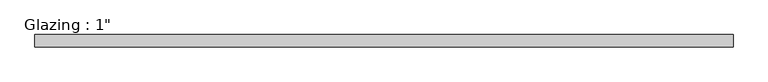
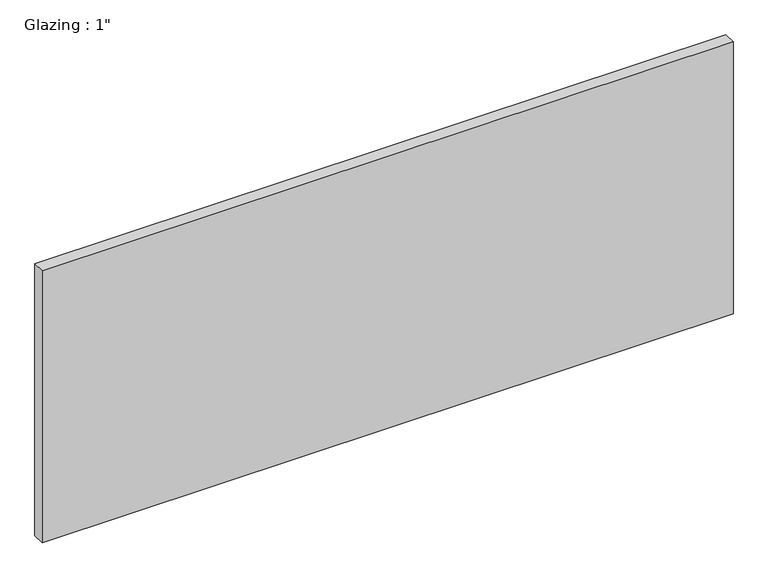
"""IFC4 building model written with IfcOpenShell, lengths in millimetres: plate geometry."""

from ifc_helpers import new_model, si_unit, origin, origin_with_axes, place, context, project, spatial, polyline, outline, extrude, source, transform, mapped, element, save


def plate_486d9206(model_context):
    return source(origin(), model_context, "Body", "SweptSolid", [
        extrude(outline(polyline([(713.834995, 12.7), (713.834995, -12.7), (-713.834995, -12.7), (-713.834995, 12.7), (713.834995, 12.7)])), origin_with_axes(), (0.0, 0.0, 1.0), 593.7249245),
    ])


if __name__ == "__main__":
    model = new_model("IFC4")
    model_context = context("Model", 3, world=origin())
    ifc_project = project(units=[si_unit("LENGTHUNIT", "METRE", prefix="MILLI")], contexts=[model_context])
    site = spatial("IfcSite", under=ifc_project)
    building = spatial("IfcBuilding", under=site)
    placement = place(None, origin())
    plate_shape = plate_486d9206(model_context)
    element("IfcPlate", 1, ObjectType="Glazing : 1\"", at=placement, inside=building, context=model_context, shape_type="MappedRepresentation", body=[
        mapped(plate_shape, transform((0.0, 0.0, 0.0), x_axis=(1.0, 0.0, 0.0), y_axis=(0.0, 1.0, 0.0), z_axis=(0.0, 0.0, 1.0))),
    ])
    save(model, "model.ifc")
